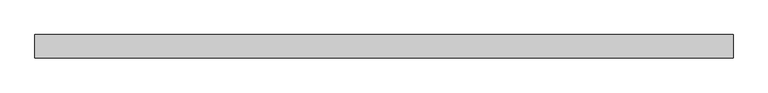
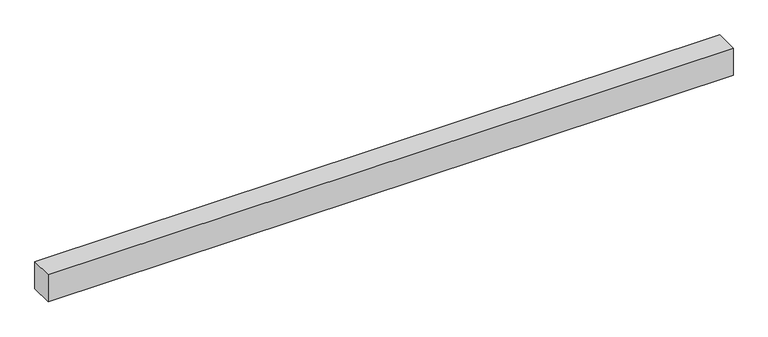
"""IFC4 building model written with IfcOpenShell, lengths in millimetres: proxy geometry."""

from ifc_helpers import new_model, si_unit, origin, origin_with_axes, place, context, project, spatial, polyline, outline, extrude, source, transform, mapped, element, save


def generic_models_a802546e(model_context):
    return source(origin(), model_context, "Body", "SweptSolid", [
        extrude(outline(polyline([(2400.0, -40.0), (0.0, -40.0), (0.0, 40.0), (2400.0, 40.0), (2400.0, -40.0)])), origin_with_axes(), (0.0, 0.0, 1.0), 100.0),
    ])


if __name__ == "__main__":
    model = new_model("IFC4")
    model_context = context("Model", 3, world=origin())
    ifc_project = project(units=[si_unit("LENGTHUNIT", "METRE", prefix="MILLI")], contexts=[model_context])
    site = spatial("IfcSite", under=ifc_project)
    building = spatial("IfcBuilding", under=site)
    placement = place(None, origin())
    generic_models_shape = generic_models_a802546e(model_context)
    element("IfcBuildingElementProxy", 1, Name="Generic Models", at=placement, inside=building, context=model_context, shape_type="MappedRepresentation", body=[
        mapped(generic_models_shape, transform((0.0, 0.0, 0.0), x_axis=(1.0, 0.0, 0.0), y_axis=(0.0, 1.0, 0.0), z_axis=(0.0, 0.0, 1.0))),
    ])
    save(model, "model.ifc")
